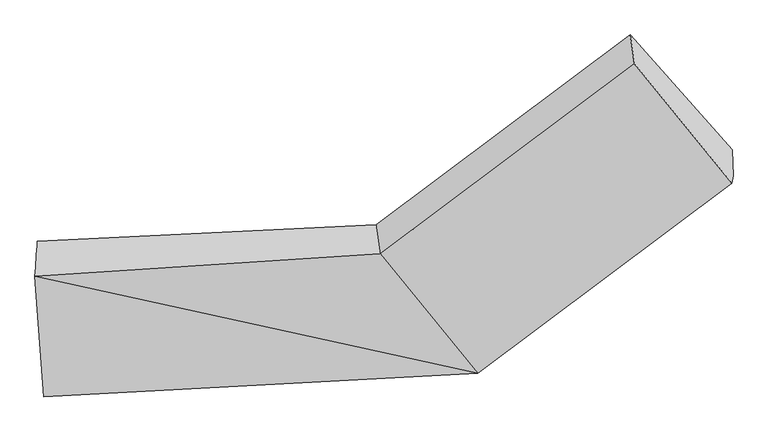
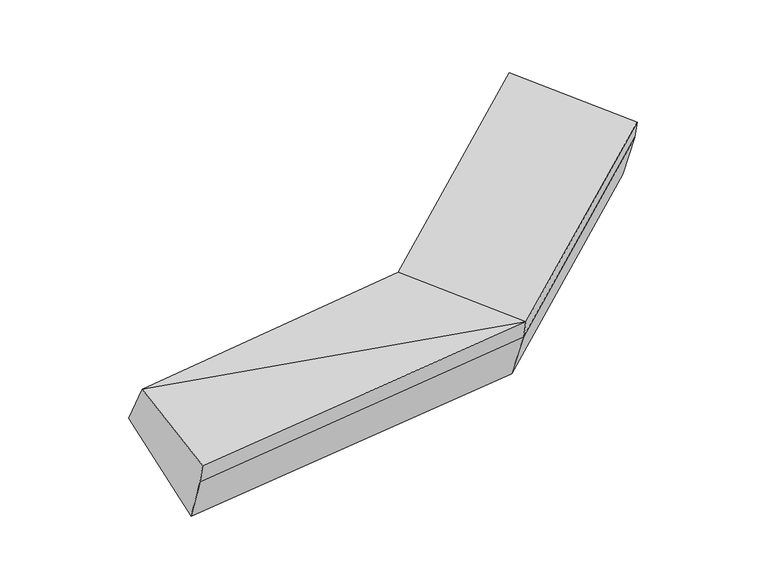
"""IFC4 building model written with IfcOpenShell, lengths in millimetres: proxy geometry."""

from ifc_helpers import new_model, si_unit, frame, origin, place, context, project, spatial, source, transform, mapped, element, save
from ifc_brep_helpers import plane_surface, spline_surface, advanced_brep


def generic_models_be27f80e(model_context):
    return source(origin(), model_context, "Body", "AdvancedBrep", [
        advanced_brep(
        [(-1909.8178735, -1626.7158364, 1654.9645605), (-1923.116664, -1817.9583578, 1993.489232), (-27.6381969, -1695.7591936, 2137.1886305), (-50.4725527, -1536.9007709, 1787.2409459), (-1873.7457793, -2478.8670222, 1801.4937815), (506.3834556, -2349.6705535, 1973.4180348), (-1865.4711782, -2433.7219495, 1648.2180385), (513.8690228, -2308.8303404, 1834.7580741), (-1848.5070516, -2294.8732146, 1298.0238076), (508.1796024, -2168.2034213, 1472.0192252), (1908.231986, -1265.8982168, 2217.2128753), (1902.5425657, -1125.2712977, 1854.4740264), (1343.8904106, -493.9686473, 2169.6957471), (1366.7247664, -652.82707, 2519.6434317), (1900.7464189, -1306.7384299, 2355.872836)],
        [
            (0, 1),
            (1, 2),
            (2, 3),
            (3, 0),
            (1, 4),
            (4, 5),
            (5, 1),
            (4, 6),
            (6, 7),
            (7, 5),
            (6, 8),
            (8, 9),
            (9, 7),
            (8, 0),
            (3, 9),
            (10, 11),
            (11, 12),
            (12, 13),
            (13, 14),
            (14, 10),
            (5, 2),
            (9, 11),
            (10, 7),
            (3, 12),
            (2, 13),
            (5, 14),
        ],
        [
            spline_surface(1, 1, [[(-1909.8178735, -1626.7158364, 1654.9645605), (-50.4725527, -1536.9007709, 1787.2409459)], [(-1923.116664, -1817.9583578, 1993.489232), (-27.6381969, -1695.7591936, 2137.1886305)]], [2, 2], [2, 2], [0.0, 1.0], [0.0, 1.0]),
            plane_surface(frame((-1898.4312217, -2148.41269, 1897.4915067), z_axis=(-0.05386429029263267, -0.2822728367441689, 0.957820799454507), x_axis=(0.07155200691776714, -0.9578386441155745, -0.2782542760585679))),
            plane_surface(frame((-1869.6084787, -2456.2944859, 1724.85591), z_axis=(0.07208759678437994, -0.9578093867060274, -0.27821674487290726), x_axis=(0.05171625672211124, 0.28215670432618084, -0.9579733936777373))),
            spline_surface(1, 1, [[(-1865.4711782, -2433.7219495, 1648.2180385), (513.8690228, -2308.8303404, 1834.7580741)], [(-1848.5070516, -2294.8732146, 1298.0238076), (508.1796024, -2168.2034213, 1472.0192252)]], [2, 2], [2, 2], [0.0, 1.0], [0.0, 1.0]),
            spline_surface(1, 1, [[(-1848.5070516, -2294.8732146, 1298.0238076), (508.1796024, -2168.2034213, 1472.0192252)], [(-1909.8178735, -1626.7158364, 1654.9645605), (-50.4725527, -1536.9007709, 1787.2409459)]], [2, 2], [2, 2], [0.0, 1.0], [0.0, 1.0]),
            plane_surface(frame((1684.4272295, -968.9407323, 2223.3797833), z_axis=(0.7821379722869729, 0.5850103867370989, 0.2145298107875276), x_axis=(-0.014622533466762741, 0.36142905560275895, -0.93228494532579))),
            plane_surface(frame((-1884.1317093, -2130.4272761, 1679.237884), z_axis=(-0.9960952459964354, -0.05415464931679867, -0.0697247076772308), x_axis=(0.08067213399701297, -0.8791544449717644, -0.46965888545066076))),
            plane_surface(frame((-1923.116664, -1817.9583578, 1993.489232), z_axis=(-0.05425944906307996, -0.2840576311070996, 0.9572706902424173), x_axis=(0.6209554099107832, -0.7603620464052164, -0.1904309252432564))),
            plane_surface(frame((511.0243126, -2238.5168809, 1653.3886497), z_axis=(0.6229336833257887, -0.7260384873929271, -0.29124172263320497), x_axis=(-0.014622533466762741, 0.36142905560275895, -0.93228494532579))),
            plane_surface(frame((228.8535249, -1852.5520961, 1629.6300856), z_axis=(-0.05441638064719209, 0.40710490951651784, -0.9117589868845868), x_axis=(-0.6207246167376296, 0.7014473893723512, 0.35024635632456785))),
            plane_surface(frame((-39.0553748, -1616.3299823, 1962.2147882), z_axis=(-0.6202760792278029, 0.6982143936419805, 0.3574272598011319), x_axis=(0.05931085772950153, -0.41262514213371476, 0.9089679390575459))),
            plane_surface(frame((239.3726294, -2022.7148736, 2055.3033327), z_axis=(-0.05171625672211297, -0.2821567043261788, 0.9579733936777377), x_axis=(0.6209554099107834, -0.7603620464052163, -0.19043092524325636))),
            plane_surface(frame((510.1262392, -2329.250447, 1904.0880545), z_axis=(0.620955409910786, -0.7603620464052137, -0.19043092524325891), x_axis=(0.051716256722110304, 0.28215670432618084, -0.9579733936777373))),
        ],
        [
            (0, [[1, 2, 3, 4]]),
            (1, [[5, 6, 7]]),
            (2, [[8, 9, 10, -6]]),
            (3, [[11, 12, 13, -9]]),
            (4, [[14, -4, 15, -12]]),
            (5, [[16, 17, 18, 19, 20]]),
            (6, [[-14, -11, -8, -5, -1]]),
            (7, [[21, -2, -7]]),
            (8, [[-13, 22, -16, 23]]),
            (9, [[-15, 24, -17, -22]]),
            (10, [[-3, 25, -18, -24]]),
            (11, [[-21, 26, -19, -25]]),
            (12, [[-10, -23, -20, -26]]),
        ],
    ),
    ])


if __name__ == "__main__":
    model = new_model("IFC4")
    model_context = context("Model", 3, world=origin())
    ifc_project = project(units=[si_unit("LENGTHUNIT", "METRE", prefix="MILLI")], contexts=[model_context])
    site = spatial("IfcSite", under=ifc_project)
    building = spatial("IfcBuilding", under=site)
    placement = place(None, origin())
    generic_models_shape = generic_models_be27f80e(model_context)
    element("IfcBuildingElementProxy", 1, Name="Generic Models", at=placement, inside=building, context=model_context, shape_type="MappedRepresentation", body=[
        mapped(generic_models_shape, transform((0.0, 0.0, 0.0), x_axis=(1.0, 0.0, 0.0), y_axis=(0.0, 1.0, 0.0), z_axis=(0.0, 0.0, 1.0))),
    ])
    save(model, "model.ifc")
